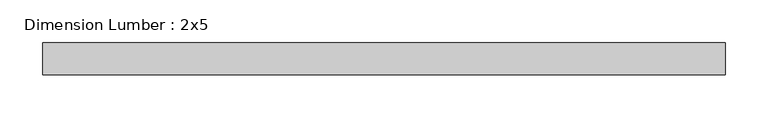
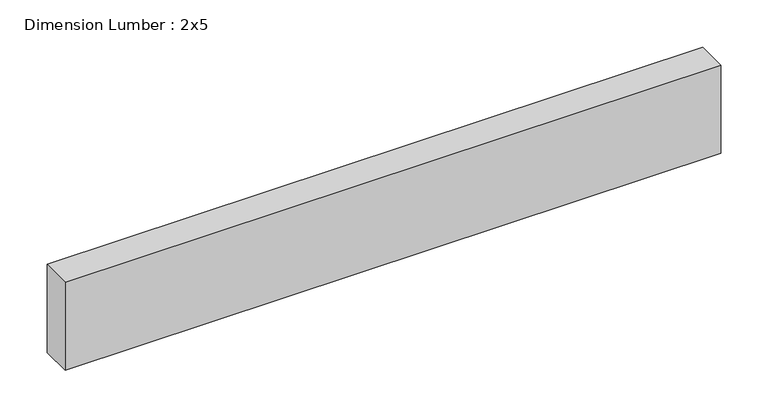
"""IFC4 building model written with IfcOpenShell, lengths in millimetres: beam geometry, Dimension Lumber : 2x5."""

from ifc_helpers import new_model, si_unit, frame, origin, place, context, project, spatial, polyline, outline, extrude, source, transform, mapped, element, save


def dimension_lumber_2x5_5fbf3477(model_context):
    return source(origin(), model_context, "Body", "SweptSolid", [
        extrude(outline(polyline([(401.2456104, 19.05), (401.2456104, -19.05), (-401.2456104, -19.05), (-401.2456104, 19.05), (401.2456104, 19.05)])), frame((0.0, 0.0, -57.15), z_axis=(0.0, 0.0, 1.0), x_axis=(1.0, 0.0, 0.0)), (0.0, 0.0, 1.0), 114.3),
    ])


if __name__ == "__main__":
    model = new_model("IFC4")
    model_context = context("Model", 3, world=origin())
    ifc_project = project(units=[si_unit("LENGTHUNIT", "METRE", prefix="MILLI")], contexts=[model_context])
    site = spatial("IfcSite", under=ifc_project)
    building = spatial("IfcBuilding", under=site)
    placement = place(None, origin())
    dimension_lumber_2x5_shape = dimension_lumber_2x5_5fbf3477(model_context)
    element("IfcBeam", 1, ObjectType="Dimension Lumber : 2x5", at=placement, inside=building, context=model_context, shape_type="MappedRepresentation", body=[
        mapped(dimension_lumber_2x5_shape, transform((0.0, 0.0, 0.0), x_axis=(1.0, 0.0, 0.0), y_axis=(0.0, 1.0, 0.0), z_axis=(0.0, 0.0, 1.0))),
    ])
    save(model, "model.ifc")
